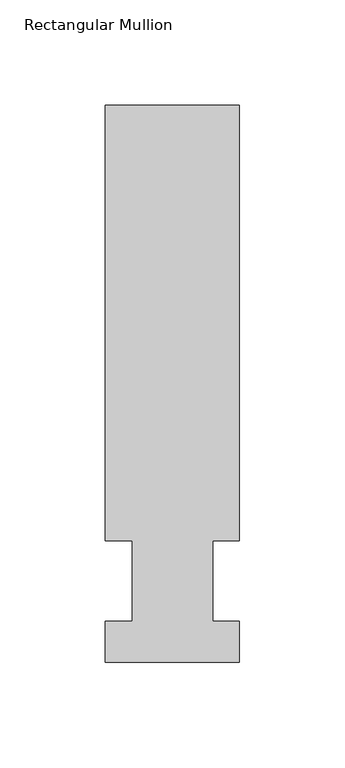
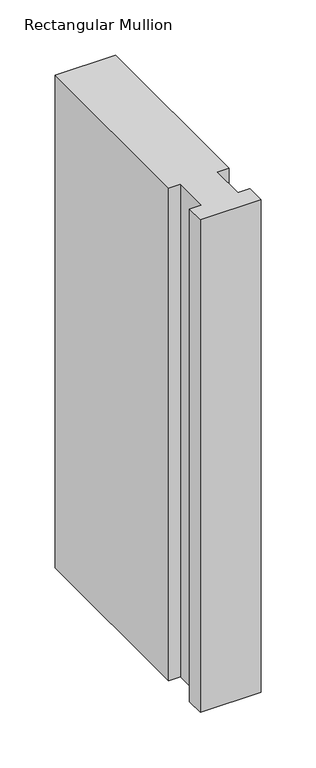
"""IFC4 building model written with IfcOpenShell, lengths in millimetres: member geometry, Rectangular Mullion."""

from ifc_helpers import new_model, si_unit, frame, origin, place, context, project, spatial, polyline, outline, extrude, source, transform, mapped, element, save


def rectangular_mullion_7c2899ae(model_context):
    return source(origin(), model_context, "Body", "SweptSolid", [
        extrude(outline(polyline([(-63.5, 57.6460937), (-63.5, 264.0210938), (0.0, 264.0210938), (0.0, 57.6460938), (-12.6873, 57.6460938), (-12.6873, 19.5460938), (0.0, 19.5460938), (0.0, 0.0134938), (-63.5, 0.0134938), (-63.5, 19.5460938), (-50.8, 19.5460938), (-50.8, 57.6460937), (-63.5, 57.6460937)])), frame((0.0, 0.0, -546.0999994), z_axis=(0.0, 0.0, 1.0), x_axis=(1.0, 0.0, 0.0)), (0.0, 0.0, 1.0), 546.0999994),
    ])


if __name__ == "__main__":
    model = new_model("IFC4")
    model_context = context("Model", 3, world=origin())
    ifc_project = project(units=[si_unit("LENGTHUNIT", "METRE", prefix="MILLI")], contexts=[model_context])
    site = spatial("IfcSite", under=ifc_project)
    building = spatial("IfcBuilding", under=site)
    placement = place(None, origin())
    rectangular_mullion_shape = rectangular_mullion_7c2899ae(model_context)
    element("IfcMember", 1, ObjectType="Rectangular Mullion", at=placement, inside=building, context=model_context, shape_type="MappedRepresentation", body=[
        mapped(rectangular_mullion_shape, transform((0.0, 0.0, 0.0), x_axis=(1.0, 0.0, 0.0), y_axis=(0.0, 1.0, 0.0), z_axis=(0.0, 0.0, 1.0))),
    ])
    save(model, "model.ifc")
